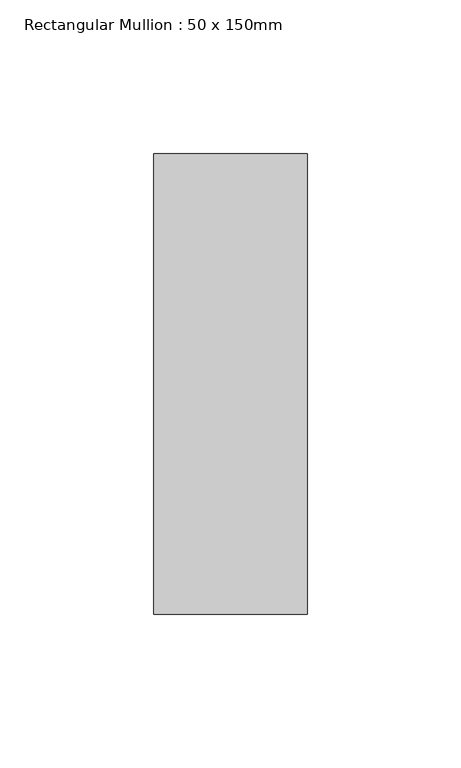
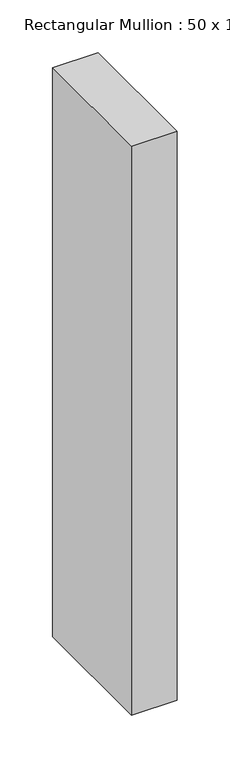
"""IFC4 building model written with IfcOpenShell, lengths in millimetres: member geometry, Rectangular Mullion : 50 x 150mm."""

from ifc_helpers import new_model, si_unit, frame, origin, place, context, project, spatial, polyline, outline, extrude, source, transform, mapped, element, save


def rectangular_mullion_50_x_150mm_1f40f0a6(model_context):
    return source(origin(), model_context, "Body", "SweptSolid", [
        extrude(outline(polyline([(0.0, 75.0), (0.0, -75.0), (-50.0, -75.0), (-50.0, 75.0), (0.0, 75.0)])), frame((0.0, 0.0, -659.0), z_axis=(0.0, 0.0, 1.0), x_axis=(1.0, 0.0, 0.0)), (0.0, 0.0, 1.0), 659.0),
    ])


if __name__ == "__main__":
    model = new_model("IFC4")
    model_context = context("Model", 3, world=origin())
    ifc_project = project(units=[si_unit("LENGTHUNIT", "METRE", prefix="MILLI")], contexts=[model_context])
    site = spatial("IfcSite", under=ifc_project)
    building = spatial("IfcBuilding", under=site)
    placement = place(None, origin())
    rectangular_mullion_50_x_150mm_shape = rectangular_mullion_50_x_150mm_1f40f0a6(model_context)
    element("IfcMember", 1, ObjectType="Rectangular Mullion : 50 x 150mm", at=placement, inside=building, context=model_context, shape_type="MappedRepresentation", body=[
        mapped(rectangular_mullion_50_x_150mm_shape, transform((0.0, 0.0, 0.0), x_axis=(1.0, 0.0, 0.0), y_axis=(0.0, 1.0, 0.0), z_axis=(0.0, 0.0, 1.0))),
    ])
    save(model, "model.ifc")
